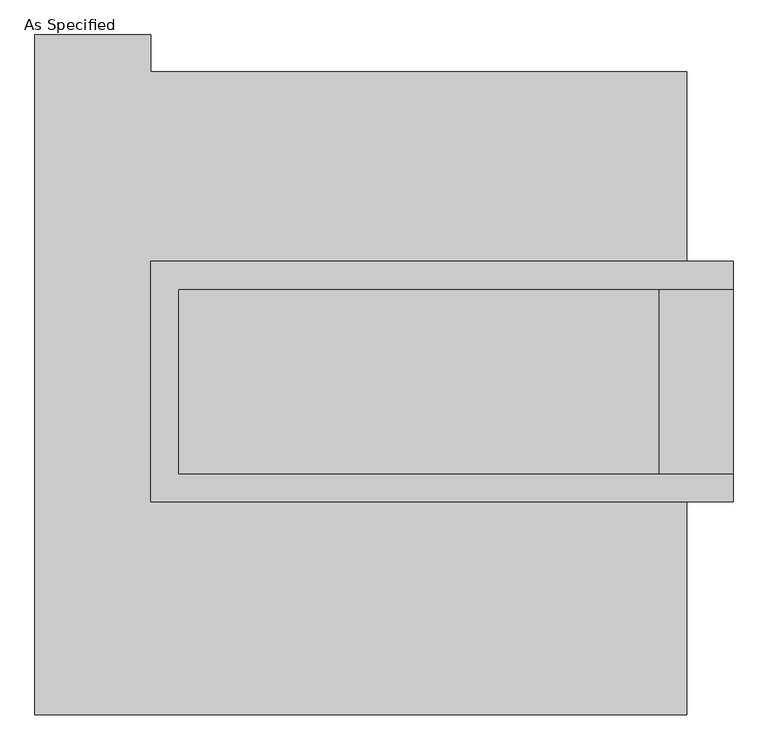
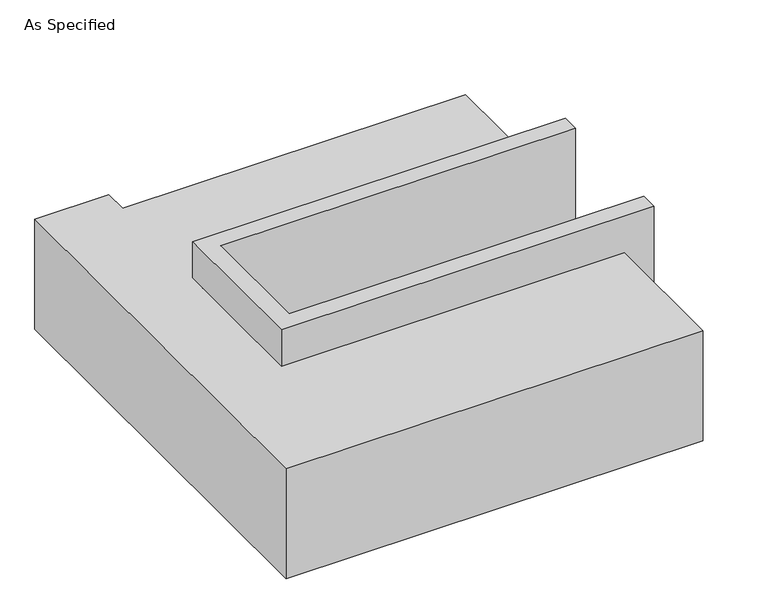
"""IFC4 building model written with IfcOpenShell, lengths in millimetres: proxy geometry, As Specified."""

from ifc_helpers import new_model, si_unit, origin, place, context, project, spatial, faceted_brep, source, transform, mapped, element, save


def as_specified_2303ed03(model_context):
    return source(origin(), model_context, "Body", "Brep", [
        faceted_brep([(-654.05, 361.95, 139.7), (-654.05, 361.95, -393.7), (-654.05, 285.75, -393.7), (-654.05, 285.75, -25.4), (-654.05, -222.25, -25.4), (-654.05, -222.25, -393.7), (-654.05, -298.45, -393.7), (-654.05, -298.45, 139.7), (946.15, 285.75, 139.7), (946.15, 285.75, -317.5), (946.15, -222.25, -317.5), (946.15, -222.25, 139.7), (946.15, -298.45, 139.7), (946.15, -298.45, -393.7), (946.15, 361.95, -393.7), (946.15, 361.95, 139.7), (-577.85, -222.25, 139.7), (-577.85, 285.75, 139.7), (742.95, -222.25, -393.7), (742.95, 285.75, -393.7), (742.95, -222.25, -317.5), (-577.85, -222.25, -25.4), (742.95, 285.75, -317.5), (-577.85, 285.75, -25.4)], [[[0, 1, 2, 3, 4, 5, 6, 7]], [[8, 9, 10, 11, 12, 13, 14, 15]], [[0, 7, 12, 11, 16, 17, 8, 15]], [[1, 0, 15, 14]], [[14, 13, 6, 5, 18, 19, 2, 1]], [[7, 6, 13, 12]], [[11, 10, 20, 18, 5, 4, 21, 16]], [[10, 9, 22, 20]], [[9, 8, 17, 23, 3, 2, 19, 22]], [[18, 20, 22, 19]], [[23, 21, 4, 3]], [[17, 16, 21, 23]]]),
        faceted_brep([(819.15, -882.65, -523.9742188), (-971.55, -882.65, -523.9742188), (-971.55, 984.25, -523.9742188), (-654.05, 984.25, -523.9742188), (-654.05, 882.65, -523.9742188), (819.15, 882.65, -523.9742188), (-971.55, -882.65, -25.4), (819.15, -882.65, -25.4), (819.15, -298.45, -25.4), (-654.05, -298.45, -25.4), (-654.05, 361.95, -25.4), (819.15, 361.95, -25.4), (819.15, 882.65, -25.4), (-654.05, 882.65, -25.4), (-654.05, 984.25, -25.4), (-971.55, 984.25, -25.4), (819.15, 361.95, -393.7), (819.15, -298.45, -393.7), (-654.05, -298.45, -393.7), (-654.05, 361.95, -393.7)], [[[0, 1, 2, 3, 4, 5]], [[6, 7, 8, 9, 10, 11, 12, 13, 14, 15]], [[12, 5, 4, 13]], [[2, 1, 6, 15]], [[5, 12, 11, 16, 17, 8, 7, 0]], [[1, 0, 7, 6]], [[18, 19, 10, 9]], [[10, 19, 16, 11]], [[19, 18, 17, 16]], [[18, 9, 8, 17]], [[3, 2, 15, 14]], [[4, 3, 14, 13]]]),
    ])


if __name__ == "__main__":
    model = new_model("IFC4")
    model_context = context("Model", 3, world=origin())
    ifc_project = project(units=[si_unit("LENGTHUNIT", "METRE", prefix="MILLI")], contexts=[model_context])
    site = spatial("IfcSite", under=ifc_project)
    building = spatial("IfcBuilding", under=site)
    placement = place(None, origin())
    as_specified_shape = as_specified_2303ed03(model_context)
    element("IfcBuildingElementProxy", 1, Name="As Specified", ObjectType="As Specified", at=placement, inside=building, context=model_context, shape_type="MappedRepresentation", body=[
        mapped(as_specified_shape, transform((0.0, 0.0, 0.0), x_axis=(1.0, 0.0, 0.0), y_axis=(0.0, 1.0, 0.0), z_axis=(0.0, 0.0, 1.0))),
    ])
    save(model, "model.ifc")
